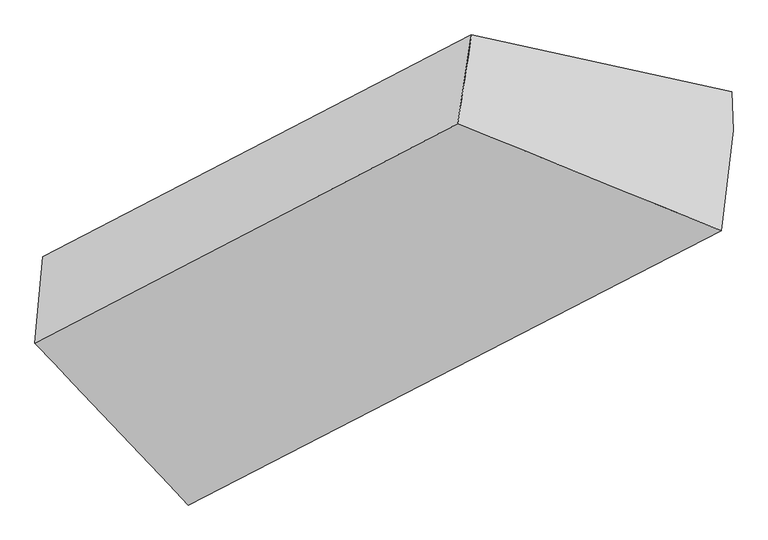
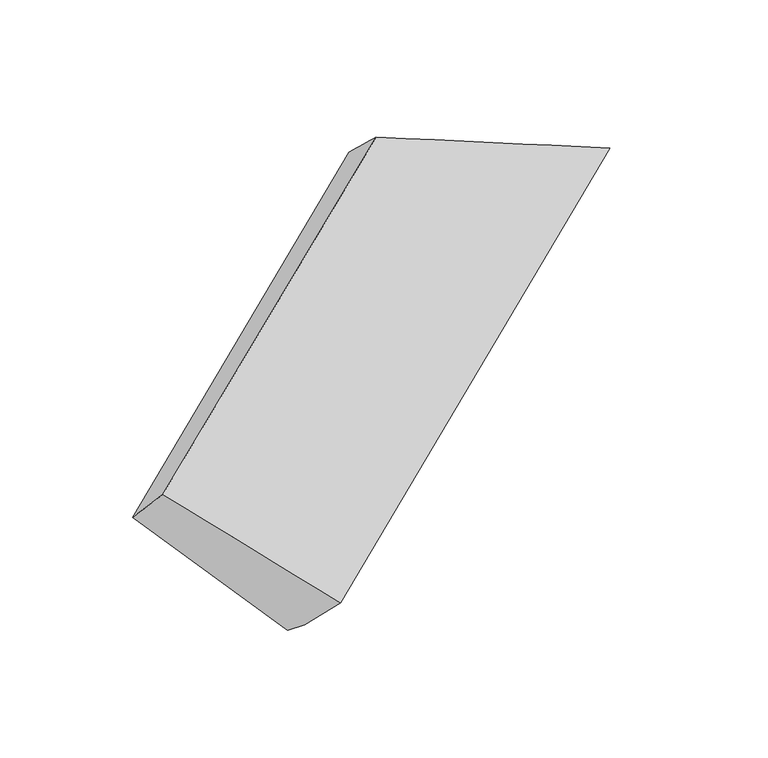
"""IFC4 building model written with IfcOpenShell, lengths in millimetres: proxy geometry."""

from ifc_helpers import new_model, si_unit, frame, origin, place, context, project, spatial, source, transform, mapped, element, save
from ifc_brep_helpers import plane_surface, spline_surface, advanced_brep


def generic_models_76def73a(model_context):
    return source(origin(), model_context, "Body", "AdvancedBrep", [
        advanced_brep(
        [(-3783.815031, -1577.4033913, 1611.2652549), (-3807.0849432, -1830.7863969, 1871.6914806), (-2564.0679461, -1186.29932, 2588.4357363), (-2523.6982485, -925.1207825, 2351.7630098), (-3345.4201795, -1914.2069186, 1173.774297), (-1759.0925708, -1092.8075483, 2107.510464), (-3341.0091299, -2026.879567, 1264.9357854), (-1754.6815211, -1205.4801966, 2198.6719523), (-3355.6371405, -2306.8832586, 1534.2107167), (-1790.2111722, -1500.2516566, 2460.7574699)],
        [
            (0, 1),
            (1, 2),
            (2, 3),
            (3, 0),
            (4, 0),
            (0, 5),
            (5, 4),
            (6, 4),
            (5, 7),
            (7, 6),
            (8, 6),
            (7, 9),
            (9, 8),
            (1, 8),
            (9, 2),
            (5, 3),
        ],
        [
            spline_surface(1, 1, [[(-3783.815031, -1577.4033913, 1611.2652549), (-2523.6982485, -925.1207825, 2351.7630098)], [(-3807.0849432, -1830.7863969, 1871.6914806), (-2564.0679461, -1186.29932, 2588.4357363)]], [2, 2], [2, 2], [0.0, 1.0], [0.0, 1.0]),
            plane_surface(frame((-3564.6176052, -1745.805155, 1392.519776), z_axis=(-0.03157526906037067, 0.77644740772731, -0.6293905190081159), x_axis=(-0.6218366686973597, 0.47773549968743634, 0.6205545502224326))),
            plane_surface(frame((-3343.2146547, -1970.5432428, 1219.3550412), z_axis=(0.6161557402250819, -0.48068956853936134, -0.623930799436223), x_axis=(-0.030421032179718515, 0.7770527472312773, -0.6286999195335127))),
            spline_surface(1, 1, [[(-3355.6371405, -2306.8832586, 1534.2107167), (-1790.2111722, -1500.2516566, 2460.7574699)], [(-3341.0091299, -2026.879567, 1264.9357854), (-1754.6815211, -1205.4801966, 2198.6719523)]], [2, 2], [2, 2], [0.0, 1.0], [0.0, 1.0]),
            spline_surface(1, 1, [[(-3807.0849432, -1830.7863969, 1871.6914806), (-2564.0679461, -1186.29932, 2588.4357363)], [(-3355.6371405, -2306.8832586, 1534.2107167), (-1790.2111722, -1500.2516566, 2460.7574699)]], [2, 2], [2, 2], [0.0, 1.0], [0.0, 1.0]),
            plane_surface(frame((-2078.3502917, -1181.9919008, 2341.4277265), z_axis=(0.3600265462368056, 0.5952901739361501, 0.7183387048042625), x_axis=(-0.030421032179718515, 0.7770527472312773, -0.6286999195335127))),
            plane_surface(frame((-3526.5932848, -1931.2319065, 1491.1755069), z_axis=(-0.7825558882689472, -0.40982657351607277, -0.4686666847298559), x_axis=(0.06391138823918868, 0.6959226778287153, -0.7152670556771434))),
            plane_surface(frame((-3783.815031, -1577.4033913, 1611.2652549), z_axis=(-0.031200040591600198, 0.7757627493923085, -0.6302528969567447), x_axis=(-0.9324459484634581, 0.20449605579422026, 0.29786895836708016))),
        ],
        [
            (0, [[1, 2, 3, 4]]),
            (1, [[5, 6, 7]]),
            (2, [[8, -7, 9, 10]]),
            (3, [[11, -10, 12, 13]]),
            (4, [[14, -13, 15, -2]]),
            (5, [[-9, 16, -3, -15, -12]]),
            (6, [[-1, -5, -8, -11, -14]]),
            (7, [[-16, -6, -4]]),
        ],
    ),
    ])


if __name__ == "__main__":
    model = new_model("IFC4")
    model_context = context("Model", 3, world=origin())
    ifc_project = project(units=[si_unit("LENGTHUNIT", "METRE", prefix="MILLI")], contexts=[model_context])
    site = spatial("IfcSite", under=ifc_project)
    building = spatial("IfcBuilding", under=site)
    placement = place(None, origin())
    generic_models_shape = generic_models_76def73a(model_context)
    element("IfcBuildingElementProxy", 1, Name="Generic Models", at=placement, inside=building, context=model_context, shape_type="MappedRepresentation", body=[
        mapped(generic_models_shape, transform((0.0, 0.0, 0.0), x_axis=(1.0, 0.0, 0.0), y_axis=(0.0, 1.0, 0.0), z_axis=(0.0, 0.0, 1.0))),
    ])
    save(model, "model.ifc")
